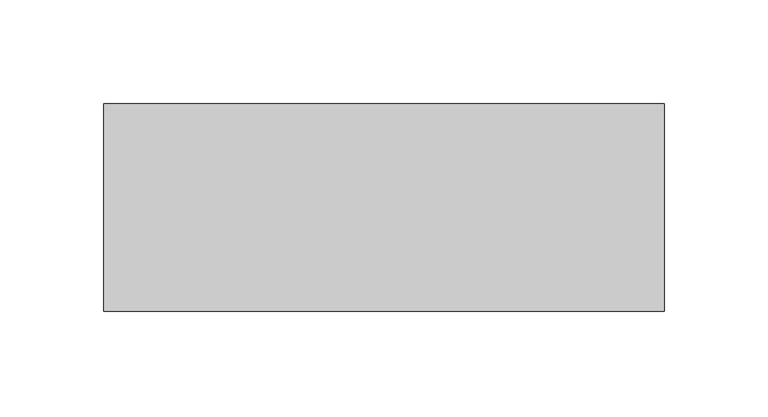
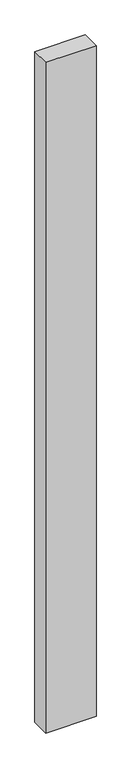
"""IFC4 building model written with IfcOpenShell, lengths in millimetres: proxy geometry."""

from ifc_helpers import new_model, si_unit, frame, origin, place, context, project, spatial, polyline, outline, extrude, source, transform, mapped, element, save


def generic_models_01277ca9(model_context):
    return source(origin(), model_context, "Body", "SweptSolid", [
        extrude(outline(polyline([(270.0, 100.0), (270.0, 0.0), (0.0, 0.0), (0.0, 100.0), (270.0, 100.0)])), frame((0.0, 0.0, -3800.0), z_axis=(0.0, 0.0, 1.0), x_axis=(1.0, 0.0, 0.0)), (0.0, 0.0, 1.0), 3800.0),
    ])


if __name__ == "__main__":
    model = new_model("IFC4")
    model_context = context("Model", 3, world=origin())
    ifc_project = project(units=[si_unit("LENGTHUNIT", "METRE", prefix="MILLI")], contexts=[model_context])
    site = spatial("IfcSite", under=ifc_project)
    building = spatial("IfcBuilding", under=site)
    placement = place(None, origin())
    generic_models_shape = generic_models_01277ca9(model_context)
    element("IfcBuildingElementProxy", 1, Name="Generic Models", at=placement, inside=building, context=model_context, shape_type="MappedRepresentation", body=[
        mapped(generic_models_shape, transform((0.0, 0.0, 0.0), x_axis=(1.0, 0.0, 0.0), y_axis=(0.0, 1.0, 0.0), z_axis=(0.0, 0.0, 1.0))),
    ])
    save(model, "model.ifc")
